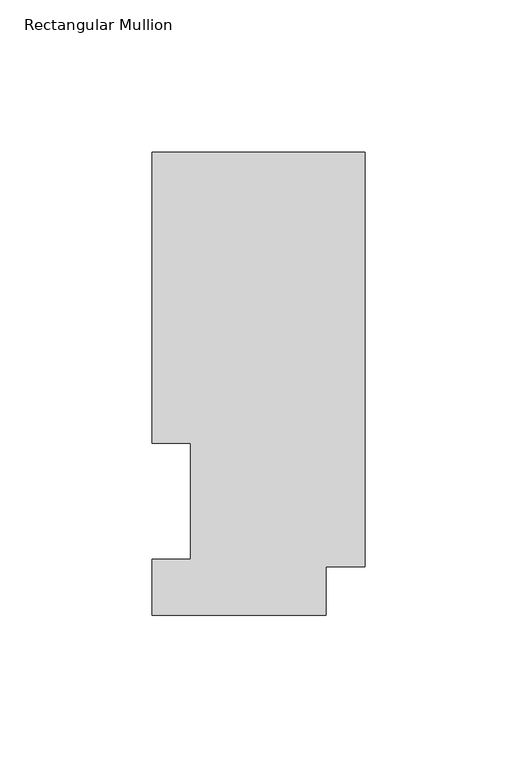
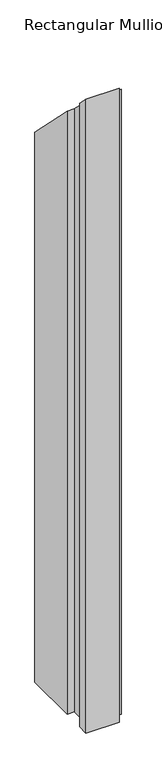
"""IFC4 building model written with IfcOpenShell, lengths in millimetres: member geometry, Rectangular Mullion."""

from ifc_helpers import new_model, si_unit, origin, place, context, project, spatial, faceted_brep, source, transform, mapped, element, save


def rectangular_mullion_9b300681(model_context):
    return source(origin(), model_context, "Body", "Brep", [
        faceted_brep([(-69.9516, 56.35625, -1152.46785), (-69.9516, 151.98725, -1152.46785), (0.0, 151.98725, -1152.46785), (0.0, 15.86865, -1152.46785), (-12.8016, 15.86865, -1152.46785), (-12.8016, -0.03175, -1152.46785), (-69.9516, -0.03175, -1152.46785), (-69.9516, 18.25625, -1152.46785), (-57.2516, 18.25625, -1152.46785), (-57.2516, 56.35625, -1152.46785), (-57.2516, 56.35625, -56.35625), (-69.9516, 56.35625, -56.35625), (-57.2516, 18.25625, -18.25625), (-69.9516, 18.25625, -18.25625), (-69.9516, -0.03175, 0.03175), (-12.8016, -0.03175, 0.03175), (-12.8016, 15.86865, -15.86865), (0.0, 15.86865, -15.86865), (0.0, 151.98725, -151.98725), (-69.9516, 151.98725, -151.98725)], [[[0, 1, 2, 3, 4, 5, 6, 7, 8, 9]], [[10, 11, 0, 9]], [[12, 10, 9, 8]], [[13, 12, 8, 7]], [[14, 13, 7, 6]], [[15, 14, 6, 5]], [[16, 15, 5, 4]], [[17, 16, 4, 3]], [[18, 17, 3, 2]], [[19, 18, 2, 1]], [[11, 19, 1, 0]], [[11, 10, 12, 13, 14, 15, 16, 17, 18, 19]]]),
    ])


if __name__ == "__main__":
    model = new_model("IFC4")
    model_context = context("Model", 3, world=origin())
    ifc_project = project(units=[si_unit("LENGTHUNIT", "METRE", prefix="MILLI")], contexts=[model_context])
    site = spatial("IfcSite", under=ifc_project)
    building = spatial("IfcBuilding", under=site)
    placement = place(None, origin())
    rectangular_mullion_shape = rectangular_mullion_9b300681(model_context)
    element("IfcMember", 1, ObjectType="Rectangular Mullion", at=placement, inside=building, context=model_context, shape_type="MappedRepresentation", body=[
        mapped(rectangular_mullion_shape, transform((0.0, 0.0, 0.0), x_axis=(1.0, 0.0, 0.0), y_axis=(0.0, 1.0, 0.0), z_axis=(0.0, 0.0, 1.0))),
    ])
    save(model, "model.ifc")
